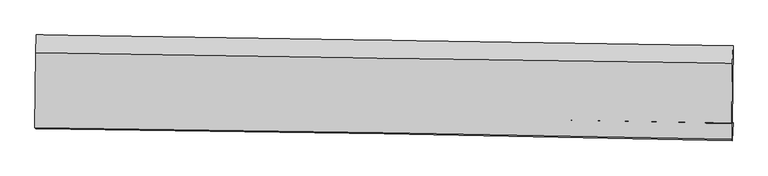
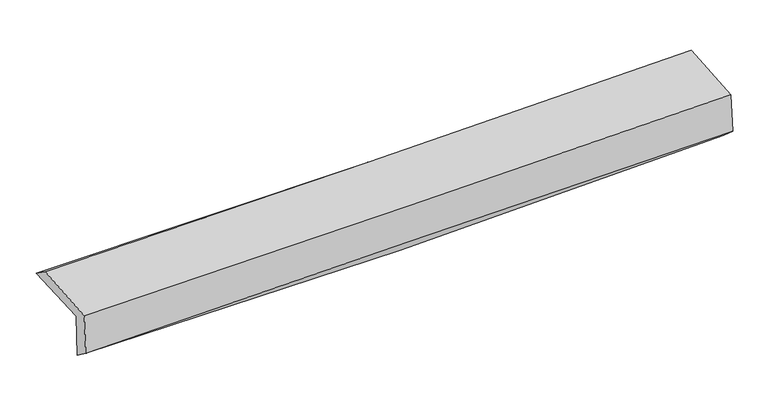
"""IFC4 building model written with IfcOpenShell, lengths in millimetres: proxy geometry."""

from ifc_helpers import new_model, si_unit, frame, origin, place, context, project, spatial, source, transform, mapped, element, save
from ifc_brep_helpers import plane_surface, spline_curve, spline_surface, advanced_brep


def generic_models_0d9c8191(model_context):
    return source(origin(), model_context, "Body", "AdvancedBrep", [
        advanced_brep(
        [(-3031.5898311, -1754.8338369, 1976.2158323), (-3022.9925541, -1086.4621254, 1992.3691024), (3017.8050343, -1181.2926828, 2130.6004903), (3009.1561103, -1850.284396, 2116.3622745), (-3022.6261594, -1752.7156448, 1581.3293292), (3018.2834668, -1847.9431228, 1714.3740731), (-3027.2132837, -1902.1794175, 1695.475436), (3013.1410172, -2002.7093799, 1849.9198488), (-3035.3876128, -1890.5485548, 2063.6258279), (3005.0918453, -1991.2565974, 2212.4334904), (-3027.6301274, -1241.1012332, 2105.6776591), (3012.9696022, -1331.7402883, 2255.1372903)],
        [
            (0, 1),
            (1, 2, spline_curve(3, [(-3022.9925541, -1086.4621254, 1992.3691024), (-2015.56910525, -1101.265488685, 1988.792993662), (-1008.461674399, -1116.569648244, 1998.524019505), (1005.137532056, -1148.179817499, 2044.600716121), (2011.629297223, -1164.485843679, 2080.94681933), (3017.8050343, -1181.2926828, 2130.6004903)], [4, 2, 4], [0.0, 9.914472909971545, 19.829107126064432])),
            (2, 3),
            (3, 0, spline_curve(3, [(3009.1561103, -1850.284396, 2116.3622745), (2003.180967754, -1830.441318796, 2059.64289484), (996.793803023, -1812.565518218, 2019.604375444), (-1016.788191106, -1780.748729006, 1972.889437374), (-2023.983006803, -1766.807676704, 1966.21247614), (-3031.5898311, -1754.8338369, 1976.2158323)], [4, 2, 4], [0.0, 9.914634216092887, 19.829107126064432])),
            (4, 0),
            (3, 5),
            (5, 4, spline_curve(3, [(3018.2834668, -1847.9431228, 1714.3740731), (2012.32210623, -1828.188989388, 1656.992901245), (1005.928191615, -1810.376250743, 1617.215306195), (-1007.708364654, -1778.633821476, 1572.867631166), (-2014.950991986, -1764.704067282, 1568.296977926), (-3022.6261594, -1752.7156448, 1581.3293292)], [4, 2, 4], [0.0, 9.91504131416609, 19.829921315587555])),
            (6, 4),
            (5, 7),
            (7, 6, spline_curve(3, [(3013.1410172, -2002.7093799, 1849.9198488), (2006.514587962, -1980.654749181, 1823.294168187), (999.834420116, -1961.249890513, 1797.110859018), (-1013.617015461, -1927.739989084, 1745.629402774), (-2020.388280762, -1913.63486068, 1720.331240895), (-3027.2132837, -1902.1794175, 1695.475436)], [4, 2, 4], [0.0, 9.91385435631732, 19.827547419201224])),
            (8, 6),
            (7, 9),
            (9, 8, spline_curve(3, [(3005.0918453, -1991.2565974, 2212.4334904), (1998.628676843, -1969.434262529, 2178.454976188), (992.019708365, -1950.130710385, 2149.065016712), (-1021.47344877, -1916.561444895, 2099.462611994), (-2028.357633161, -1902.295649329, 2079.250017073), (-3035.3876128, -1890.5485548, 2063.6258279)], [4, 2, 4], [0.0, 9.91347153000192, 19.826781772798814])),
            (10, 8),
            (9, 11),
            (11, 10, spline_curve(3, [(3012.9696022, -1331.7402883, 2255.1372903), (2006.411213671, -1317.889680679, 2220.642605217), (999.74461277, -1303.411055512, 2190.940230995), (-1013.78863425, -1273.198016665, 2141.12051008), (-2020.655276395, -1257.463623504, 2121.003006839), (-3027.6301274, -1241.1012332, 2105.6776591)], [4, 2, 4], [0.0, 9.913496279519855, 19.826831271432024])),
            (1, 10),
            (11, 2),
        ],
        [
            spline_surface(3, 3, [[(-3031.5898311, -1754.8338369, 1976.2158323), (-2023.98300665, -1766.807676654, 1966.212476063), (-1016.788190993, -1780.7487291, 1972.889437434), (996.793802911, -1812.565518124, 2019.604375383), (2003.180967659, -1830.441318705, 2059.642894767), (3009.1561103, -1850.284396, 2116.3622745)], [(-3028.724072072, -1532.04326638, 1981.600255667), (-2021.178372845, -1544.96028059, 1973.739315268), (-1014.012685434, -1559.355702114, 1981.434298186), (999.575045974, -1591.103617974, 2027.936488915), (2005.997077514, -1608.456160409, 2066.744202945), (3012.039084963, -1627.287158274, 2121.108346445)], [(-3025.858313128, -1309.25269592, 1986.984679033), (-2018.373739122, -1323.112884586, 1981.266154472), (-1011.237179938, -1337.96267509, 1989.979158916), (1002.356288973, -1369.641717788, 2036.268602425), (2008.81318738, -1386.471002092, 2073.845511087), (3014.922059637, -1404.289920526, 2125.854418355)], [(-3022.9925541, -1086.4621254, 1992.3691024), (-2015.569105316, -1101.265488522, 1988.792993677), (-1008.461674379, -1116.569648104, 1998.524019668), (1005.137532036, -1148.179817639, 2044.600715957), (2011.629297234, -1164.485843796, 2080.946819265), (3017.8050343, -1181.2926828, 2130.6004903)]], [4, 4], [4, 2, 4], [0.0, 2.1811576428495947], [0.0, 9.914472909971545, 19.829107126064432]),
            spline_surface(3, 3, [[(-3022.6261594, -1752.7156448, 1581.3293292), (-2014.950992131, -1764.704067323, 1568.296978079), (-1007.708364585, -1778.633821368, 1572.867631091), (1005.928191546, -1810.376250851, 1617.215306269), (2012.322106087, -1828.1889895, 1656.992901205), (3018.2834668, -1847.9431228, 1714.3740731)], [(-3025.614049982, -1753.42170884, 1712.958163578), (-2017.961663653, -1765.40527044, 1700.935477418), (-1010.734973392, -1779.338790601, 1706.208233203), (1002.88339533, -1811.106006598, 1751.344995971), (2009.27505997, -1828.939765925, 1791.209565716), (3015.241014659, -1848.723547223, 1848.370140224)], [(-3028.601940518, -1754.12777286, 1844.586997922), (-2020.972335129, -1766.106473537, 1833.573976724), (-1013.761582186, -1780.043759867, 1839.548835322), (999.838599127, -1811.835762377, 1885.474685681), (2006.228013776, -1829.690542279, 1925.426230256), (3012.198562441, -1849.503971577, 1982.366207376)], [(-3031.5898311, -1754.8338369, 1976.2158323), (-2023.98300665, -1766.807676654, 1966.212476063), (-1016.788190993, -1780.7487291, 1972.889437434), (996.793802911, -1812.565518124, 2019.604375383), (2003.180967659, -1830.441318705, 2059.642894767), (3009.1561103, -1850.284396, 2116.3622745)]], [4, 4], [4, 2, 4], [0.0, 1.3166488742451974], [0.0, 9.914880001421466, 19.829921315587555]),
            spline_surface(3, 3, [[(-3027.2132837, -1902.1794175, 1695.475436), (-2020.388280868, -1913.634860538, 1720.331240745), (-1013.617015374, -1927.739989165, 1745.629402632), (999.834420029, -1961.249890432, 1797.11085916), (2006.514588126, -1980.65474923, 1823.294168228), (3013.1410172, -2002.7093799, 1849.9198488)], [(-3025.684242261, -1852.358159937, 1657.426733714), (-2018.575851284, -1863.991262803, 1669.653153171), (-1011.647465115, -1878.037933227, 1688.04214547), (1001.865677197, -1910.958677232, 1737.145674882), (2008.45042742, -1929.832829289, 1767.860412555), (3014.85516704, -1951.120627502, 1804.737923567)], [(-3024.155200839, -1802.536902363, 1619.378031486), (-2016.763421715, -1814.347665058, 1618.975065654), (-1009.677914844, -1828.335877306, 1630.454888253), (1003.896934378, -1860.66746405, 1677.180490548), (2010.386266793, -1879.010909441, 1712.426656879), (3016.56931696, -1899.531875198, 1759.555998333)], [(-3022.6261594, -1752.7156448, 1581.3293292), (-2014.950992131, -1764.704067323, 1568.296978079), (-1007.708364585, -1778.633821368, 1572.867631091), (1005.928191546, -1810.376250851, 1617.215306269), (2012.322106087, -1828.1889895, 1656.992901205), (3018.2834668, -1847.9431228, 1714.3740731)]], [4, 4], [4, 2, 4], [0.0, 0.759745105670848], [0.0, 9.913693062883905, 19.827547419201224]),
            spline_surface(3, 3, [[(-3035.3876128, -1890.5485548, 2063.6258279), (-2028.357633236, -1902.295649446, 2079.250017003), (-1021.473448926, -1916.561444854, 2099.462611932), (992.019708521, -1950.130710426, 2149.065016774), (1998.628676905, -1969.434262558, 2178.454976049), (3005.0918453, -1991.2565974, 2212.4334904)], [(-3032.662836443, -1894.425509027, 1940.909030608), (-2025.701182457, -1906.07538647, 1959.610424925), (-1018.854637744, -1920.287626292, 1981.518208829), (994.624612355, -1953.837103762, 2031.746964233), (2001.257313987, -1973.1744248, 2060.068040126), (3007.774902608, -1995.074191584, 2091.595609884)], [(-3029.938060057, -1898.302463273, 1818.192233292), (-2023.044731647, -1909.855123514, 1839.970832823), (-1016.235826556, -1924.013807727, 1863.573805735), (997.229516195, -1957.543497096, 1914.428911702), (2003.885951044, -1976.914586989, 1941.681104152), (3010.457959892, -1998.891785716, 1970.757729316)], [(-3027.2132837, -1902.1794175, 1695.475436), (-2020.388280868, -1913.634860538, 1720.331240745), (-1013.617015374, -1927.739989165, 1745.629402632), (999.834420029, -1961.249890432, 1797.11085916), (2006.514588126, -1980.65474923, 1823.294168228), (3013.1410172, -2002.7093799, 1849.9198488)]], [4, 4], [4, 2, 4], [0.0, 1.1586504957768406], [0.0, 9.913310242796895, 19.826781772798814]),
            spline_surface(3, 3, [[(-3027.6301274, -1241.1012332, 2105.6776591), (-2020.655276383, -1257.463623349, 2121.003006986), (-1013.788634107, -1273.198016689, 2141.120509972), (999.744612628, -1303.411055489, 2190.940231103), (2006.411213524, -1317.889680518, 2220.642605184), (3012.9696022, -1331.7402883, 2255.1372903)], [(-3030.215955865, -1457.583673723, 2091.660382028), (-2023.222728666, -1472.407632038, 2107.085343654), (-1016.350239045, -1487.652492749, 2127.234543965), (997.169644594, -1518.984273807, 2176.981826333), (2003.817034643, -1535.071207852, 2206.580062115), (3010.343683225, -1551.579057987, 2240.90269031)], [(-3032.801784335, -1674.066114277, 2077.643104972), (-2025.790180954, -1687.351640757, 2093.167680335), (-1018.911843989, -1702.106968793, 2113.348577939), (994.594676554, -1734.557492108, 2163.023421544), (2001.222855786, -1752.252735224, 2192.517519118), (3007.717764275, -1771.417827713, 2226.66809039)], [(-3035.3876128, -1890.5485548, 2063.6258279), (-2028.357633236, -1902.295649446, 2079.250017003), (-1021.473448926, -1916.561444854, 2099.462611932), (992.019708521, -1950.130710426, 2149.065016774), (1998.628676905, -1969.434262558, 2178.454976049), (3005.0918453, -1991.2565974, 2212.4334904)]], [4, 4], [4, 2, 4], [0.0, 2.1208604630269434], [0.0, 9.91333499191217, 19.826831271432024]),
            spline_surface(3, 3, [[(-3022.9925541, -1086.4621254, 1992.3691024), (-2015.569105316, -1101.265488522, 1988.792993677), (-1008.461674379, -1116.569648104, 1998.524019668), (1005.137532036, -1148.179817639, 2044.600715957), (2011.629297234, -1164.485843796, 2080.946819265), (3017.8050343, -1181.2926828, 2130.6004903)], [(-3024.538411876, -1138.008494694, 2030.138621304), (-2017.264495682, -1153.331533492, 2032.862998118), (-1010.237327634, -1168.779104297, 2046.056183076), (1003.339892221, -1199.923563587, 2093.380554313), (2009.889936002, -1215.620456033, 2127.512081241), (3016.193223605, -1231.441884629, 2172.11275697)], [(-3026.084269624, -1189.554863906, 2067.908140196), (-2018.959886018, -1205.39757838, 2076.933002546), (-1012.012980852, -1220.988560496, 2093.588346563), (1001.542252443, -1251.667309541, 2142.160392747), (2008.150574756, -1266.755068282, 2174.077343207), (3014.581412895, -1281.591086471, 2213.62502363)], [(-3027.6301274, -1241.1012332, 2105.6776591), (-2020.655276383, -1257.463623349, 2121.003006986), (-1013.788634107, -1273.198016689, 2141.120509972), (999.744612628, -1303.411055489, 2190.940231103), (2006.411213524, -1317.889680518, 2220.642605184), (3012.9696022, -1331.7402883, 2255.1372903)]], [4, 4], [4, 2, 4], [0.0, 0.6976229209368003], [0.0, 9.913640654082105, 19.82744260074495]),
            plane_surface(frame((3012.7411794, -1700.8710779, 2046.4712446), z_axis=(0.9996542666329107, -0.013405243217057721, 0.022619607797422676), x_axis=(0.022187241034325914, -0.03156916629135258, -0.999255279733339))),
            plane_surface(frame((-3027.9065948, -1604.6401354, 1902.4488645), z_axis=(-0.9996542666329185, 0.013405243216453646, -0.022619607797436048), x_axis=(-0.012858199537239608, -0.9996254335696465, -0.02415904106865148))),
        ],
        [
            (0, [[1, 2, 3, 4]]),
            (1, [[5, -4, 6, 7]]),
            (2, [[8, -7, 9, 10]]),
            (3, [[11, -10, 12, 13]]),
            (4, [[14, -13, 15, 16]]),
            (5, [[17, -16, 18, -2]]),
            (6, [[-12, -9, -6, -3, -18, -15]]),
            (7, [[-1, -5, -8, -11, -14, -17]]),
        ],
    ),
    ])


if __name__ == "__main__":
    model = new_model("IFC4")
    model_context = context("Model", 3, world=origin())
    ifc_project = project(units=[si_unit("LENGTHUNIT", "METRE", prefix="MILLI")], contexts=[model_context])
    site = spatial("IfcSite", under=ifc_project)
    building = spatial("IfcBuilding", under=site)
    placement = place(None, origin())
    generic_models_shape = generic_models_0d9c8191(model_context)
    element("IfcBuildingElementProxy", 1, Name="Generic Models", at=placement, inside=building, context=model_context, shape_type="MappedRepresentation", body=[
        mapped(generic_models_shape, transform((0.0, 0.0, 0.0), x_axis=(1.0, 0.0, 0.0), y_axis=(0.0, 1.0, 0.0), z_axis=(0.0, 0.0, 1.0))),
    ])
    save(model, "model.ifc")
